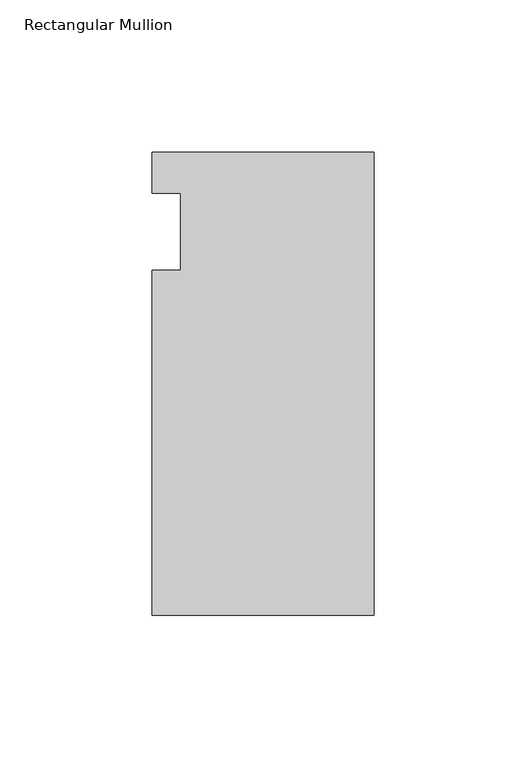
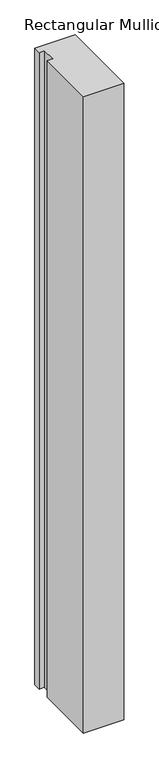
"""IFC4 building model written with IfcOpenShell, lengths in millimetres: member geometry, Rectangular Mullion."""

from ifc_helpers import new_model, si_unit, frame, origin, place, context, project, spatial, polyline, outline, extrude, source, transform, mapped, element, save


def rectangular_mullion_615417a3(model_context):
    return source(origin(), model_context, "Body", "SweptSolid", [
        extrude(outline(polyline([(-36.5125, 26.19375), (36.5125, 26.19375), (36.5125, -126.20625), (-36.5125, -126.20625), (-36.5125, -12.7), (-26.9875, -12.7), (-26.9875, 12.7), (-36.5125, 12.7), (-36.5125, 26.19375)])), frame((0.0, 0.0, -1219.2), z_axis=(0.0, 0.0, 1.0), x_axis=(1.0, 0.0, 0.0)), (0.0, 0.0, 1.0), 1219.2),
    ])


if __name__ == "__main__":
    model = new_model("IFC4")
    model_context = context("Model", 3, world=origin())
    ifc_project = project(units=[si_unit("LENGTHUNIT", "METRE", prefix="MILLI")], contexts=[model_context])
    site = spatial("IfcSite", under=ifc_project)
    building = spatial("IfcBuilding", under=site)
    placement = place(None, origin())
    rectangular_mullion_shape = rectangular_mullion_615417a3(model_context)
    element("IfcMember", 1, ObjectType="Rectangular Mullion", at=placement, inside=building, context=model_context, shape_type="MappedRepresentation", body=[
        mapped(rectangular_mullion_shape, transform((0.0, 0.0, 0.0), x_axis=(1.0, 0.0, 0.0), y_axis=(0.0, 1.0, 0.0), z_axis=(0.0, 0.0, 1.0))),
    ])
    save(model, "model.ifc")
